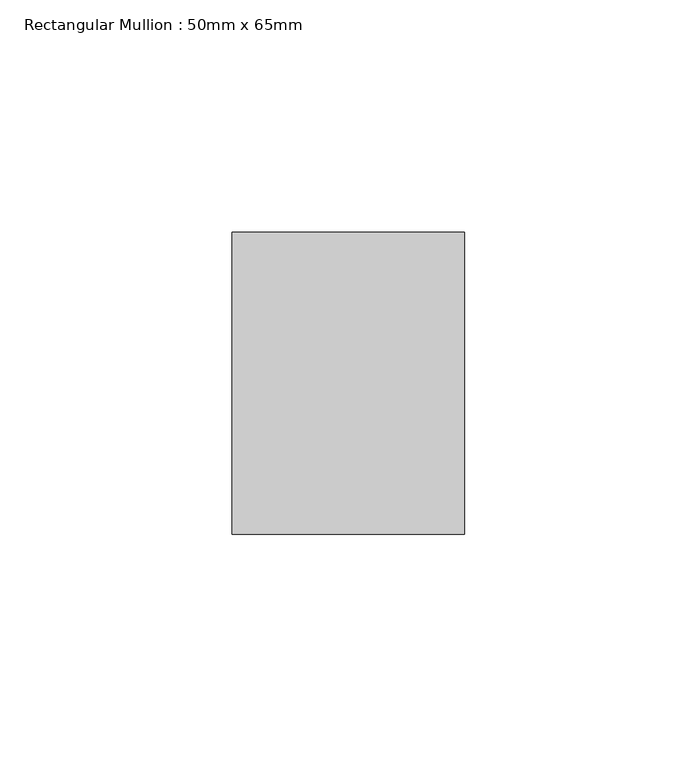
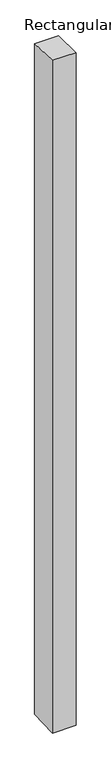
"""IFC4 building model written with IfcOpenShell, lengths in millimetres: member geometry, Rectangular Mullion : 50mm x 65mm."""

from ifc_helpers import new_model, si_unit, origin, place, context, project, spatial, faceted_brep, source, transform, mapped, element, save


def rectangular_mullion_50mm_x_65mm_0bc89db8(model_context):
    return source(origin(), model_context, "Body", "Brep", [
        faceted_brep([(-25.0, 32.5, -0.8979612), (25.0, 32.5, -0.897967), (25.0, 32.5, -1498.857627), (-25.0, 32.5, -1498.8576344), (-25.0, -32.5, 0.897967), (-25.0, -32.5, -1501.1415362), (25.0, -32.5, 0.8979612), (25.0, -32.5, -1501.1415288)], [[[0, 1, 2, 3]], [[4, 0, 3, 5]], [[6, 4, 5, 7]], [[1, 6, 7, 2]], [[1, 0, 4, 6]], [[2, 7, 5, 3]]]),
    ])


if __name__ == "__main__":
    model = new_model("IFC4")
    model_context = context("Model", 3, world=origin())
    ifc_project = project(units=[si_unit("LENGTHUNIT", "METRE", prefix="MILLI")], contexts=[model_context])
    site = spatial("IfcSite", under=ifc_project)
    building = spatial("IfcBuilding", under=site)
    placement = place(None, origin())
    rectangular_mullion_50mm_x_65mm_shape = rectangular_mullion_50mm_x_65mm_0bc89db8(model_context)
    element("IfcMember", 1, ObjectType="Rectangular Mullion : 50mm x 65mm", at=placement, inside=building, context=model_context, shape_type="MappedRepresentation", body=[
        mapped(rectangular_mullion_50mm_x_65mm_shape, transform((0.0, 0.0, 0.0), x_axis=(1.0, 0.0, 0.0), y_axis=(0.0, 1.0, 0.0), z_axis=(0.0, 0.0, 1.0))),
    ])
    save(model, "model.ifc")
